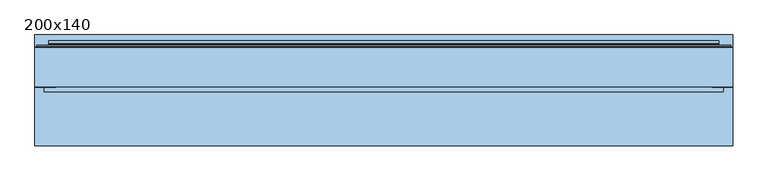
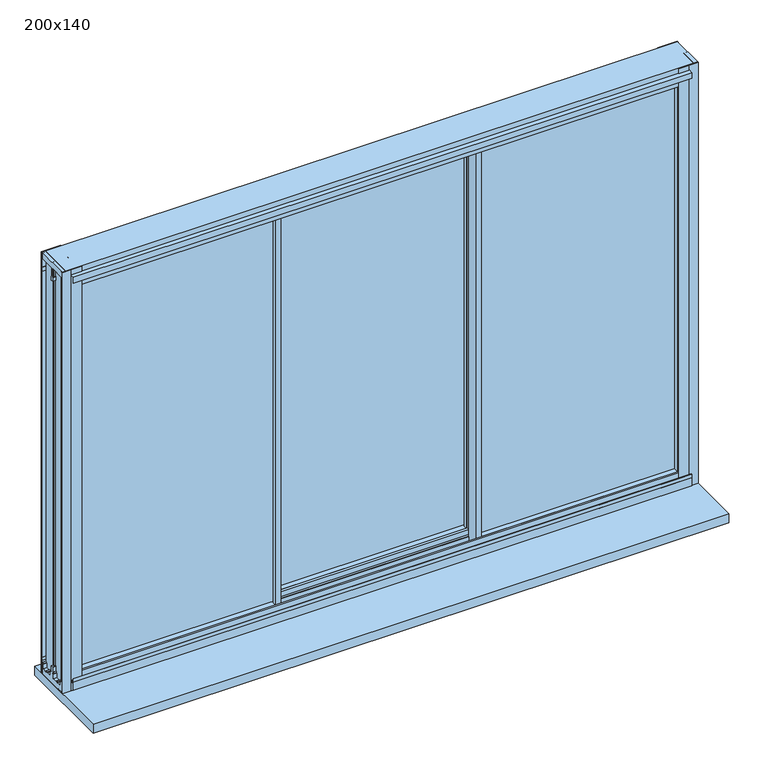
"""IFC4 building model written with IfcOpenShell, lengths in millimetres: window geometry, 200x140."""

from ifc_helpers import new_model, si_unit, frame, origin, place, context, project, spatial, polyline, outline, extrude, faceted_brep, source, transform, mapped, element, save


def window_200x140_3517d07f(model_context):
    return source(origin(), model_context, "Body", "SolidModel", [
        extrude(outline(polyline([(1421.5, 940.7), (1325.5, 940.7), (1325.5, 966.7), (1421.5, 966.7), (1421.5, 940.7)]), holes=[polyline([(1328.5, 963.7), (1328.5, 943.7), (1418.5, 943.7), (1418.5, 963.7), (1328.5, 963.7)])]), frame((0.0, 32.25, 0.0), z_axis=(0.0, 1.0, 0.0), x_axis=(0.0, 0.0, 1.0)), (0.0, 0.0, 1.0), 10.0),
        extrude(outline(polyline([(1421.5, -888.3), (1421.5, -914.3), (1325.5, -914.3), (1325.5, -888.3), (1421.5, -888.3)]), holes=[polyline([(1328.5, -911.3), (1418.5, -911.3), (1418.5, -891.3), (1328.5, -891.3), (1328.5, -911.3)])]), frame((0.0, 32.65, 0.0), z_axis=(0.0, 1.0, 0.0), x_axis=(0.0, 0.0, 1.0)), (0.0, 0.0, 1.0), 10.0),
        extrude(outline(polyline([(-923.7, 20.25), (-923.7, 26.25), (-289.1333333, 26.25), (-289.1333333, 20.25), (-923.7, 20.25)])), frame((0.0, 0.0, 717.8), z_axis=(0.0, 0.0, 1.0), x_axis=(1.0, 0.0, 0.0)), (0.0, 0.0, 1.0), 1305.6),
        extrude(outline(polyline([(976.1, 20.25), (342.5333333, 20.25), (342.5333333, 26.25), (976.1, 26.25), (976.1, 20.25)])), frame((0.0, 0.0, 717.8), z_axis=(0.0, 0.0, 1.0), x_axis=(1.0, 0.0, 0.0)), (0.0, 0.0, 1.0), 1305.6),
        extrude(outline(polyline([(342.5333333, 75.05), (-290.1333333, 75.05), (-290.1333333, 81.05), (342.5333333, 81.05), (342.5333333, 75.05)])), frame((0.0, 0.0, 717.8), z_axis=(0.0, 0.0, 1.0), x_axis=(1.0, 0.0, 0.0)), (0.0, 0.0, 1.0), 1305.6),
        faceted_brep([(-281.1333333, 2.65, 697.1), (-299.1333333, 2.65, 697.1), (-299.1333333, 12.6000001, 697.1), (-944.2, 12.6000001, 697.1), (-944.2, 33.8999999, 697.1), (-299.1333333, 33.8999999, 697.1), (-299.1333333, 43.85, 697.1), (-284.9364704, 43.85, 697.1), (-284.9364704, 50.1440374, 697.1), (-288.2414696, 50.1440374, 697.1), (-292.4491159, 51.5636227, 697.1), (-292.4491159, 53.95, 697.1), (-283.1599431, 53.95, 697.1), (-283.1599431, 43.85, 697.1), (-281.1333333, 43.85, 697.1), (-288.9081444, 32.25, 697.1), (-290.1333333, 32.25, 697.1), (-290.1333333, 14.25, 697.1), (-288.9081444, 14.25, 697.1), (-281.1333333, 2.65, 2043.9), (-281.1333333, 43.85, 2043.9), (-283.1599431, 43.85, 2043.9), (-283.1599431, 53.95, 2043.9), (-292.4491159, 53.95, 2043.9), (-292.4491159, 51.5636227, 2043.9), (-288.2414696, 50.1440374, 2043.9), (-284.9364704, 50.1440374, 2043.9), (-284.9364704, 43.85, 2043.9), (-299.1333333, 43.85, 2043.9), (-299.1333333, 33.8999999, 2043.9), (-944.2, 33.8999999, 2043.9), (-944.2, 12.6000001, 2043.9), (-299.1333333, 12.6000001, 2043.9), (-299.1333333, 2.65, 2043.9), (-288.9081444, 14.25, 2043.9), (-290.1333333, 14.25, 2043.9), (-290.1333333, 32.25, 2043.9), (-288.9081444, 32.25, 2043.9), (-299.1333333, 2.65, 2031.9), (-932.2, 2.65, 2031.9), (-932.2, 2.65, 709.1), (-299.1333333, 2.65, 709.1), (-914.3, 2.65, 2014.0), (-299.1333333, 2.65, 2014.0), (-299.1333333, 2.65, 727.0), (-914.3, 2.65, 727.0), (-299.1333333, 6.95, 709.1), (-299.1333333, 6.95, 706.9), (-299.1333333, 12.6000001, 706.9), (-299.1333333, 12.6000001, 2034.1), (-299.1333333, 6.95, 2034.1), (-299.1333333, 6.95, 2031.9), (-299.1333333, 14.25, 2014.0), (-299.1333333, 14.25, 727.0), (-290.1333333, 14.25, 727.0), (-290.1333333, 14.25, 2014.0), (-290.1333333, 32.25, 2014.0), (-299.1333333, 32.25, 2014.0), (-299.1333333, 32.25, 727.0), (-290.1333333, 32.25, 727.0), (-299.1333333, 33.8999999, 706.9), (-299.1333333, 39.55, 706.9), (-299.1333333, 39.55, 709.1), (-299.1333333, 43.85, 709.1), (-299.1333333, 43.85, 2031.9), (-299.1333333, 39.55, 2031.9), (-299.1333333, 39.55, 2034.1), (-299.1333333, 33.8999999, 2034.1), (-299.1333333, 43.85, 2014.0), (-299.1333333, 43.85, 727.0), (-290.1333333, 20.25, 727.0), (-290.1333333, 26.25, 727.0), (-290.1333333, 26.25, 717.6), (-290.1333333, 20.25, 717.6), (-914.3, 20.25, 727.0), (-923.7, 20.25, 717.6), (-923.7, 20.25, 2023.4), (-290.1333333, 20.25, 2023.4), (-290.1333333, 20.25, 2014.0), (-914.3, 20.25, 2014.0), (-923.7, 26.25, 717.6), (-914.3, 26.25, 727.0), (-914.3, 26.25, 2014.0), (-290.1333333, 26.25, 2014.0), (-290.1333333, 26.25, 2023.4), (-923.7, 26.25, 2023.4), (-914.3, 43.85, 727.0), (-932.2, 43.85, 709.1), (-932.2, 39.55, 709.1), (-934.4, 39.55, 706.9), (-934.4, 39.55, 2034.1), (-932.2, 39.55, 2031.9), (-934.4, 33.8999999, 706.9), (-934.4, 33.8999999, 2034.1), (-934.4, 12.6000001, 706.9), (-934.4, 12.6000001, 2034.1), (-934.4, 6.95, 706.9), (-932.2, 6.95, 709.1), (-932.2, 6.95, 2031.9), (-934.4, 6.95, 2034.1), (-914.3, 43.85, 2014.0), (-932.2, 43.85, 2031.9)], [[[0, 1, 2, 3, 4, 5, 6, 7, 8, 9, 10, 11, 12, 13, 14], [15, 16, 17, 18]], [[19, 20, 21, 22, 23, 24, 25, 26, 27, 28, 29, 30, 31, 32, 33], [34, 35, 36, 37]], [[0, 19, 33, 38, 39, 40, 41, 1], [42, 43, 44, 45]], [[1, 41, 46, 47, 48, 2]], [[32, 49, 50, 51, 38, 33]], [[43, 52, 53, 44]], [[18, 17, 54, 53, 52, 55, 35, 34]], [[18, 34, 37, 15]], [[37, 36, 56, 57, 58, 59, 16, 15]], [[5, 60, 61, 62, 63, 6]], [[28, 64, 65, 66, 67, 29]], [[57, 68, 69, 58]], [[13, 21, 20, 14]], [[70, 54, 17, 16, 59, 71, 72, 73]], [[45, 44, 53, 54, 70, 74]], [[73, 75, 76, 77, 78, 79, 74, 70]], [[72, 80, 75, 73]], [[71, 81, 82, 83, 84, 85, 80, 72]], [[71, 59, 58, 69, 86, 81]], [[87, 63, 62, 88]], [[88, 62, 61, 89, 90, 66, 65, 91]], [[89, 61, 60, 92]], [[92, 60, 5, 4, 30, 29, 67, 93]], [[3, 2, 48, 94, 95, 49, 32, 31]], [[94, 48, 47, 96]], [[96, 47, 46, 97, 98, 51, 50, 99]], [[97, 46, 41, 40]], [[45, 74, 79, 42]], [[75, 80, 85, 76]], [[81, 86, 100, 82]], [[87, 88, 91, 101]], [[89, 92, 93, 90]], [[4, 3, 31, 30]], [[94, 96, 99, 95]], [[39, 98, 97, 40]], [[77, 84, 83, 56, 36, 35, 55, 78]], [[78, 55, 52, 43, 42, 79]], [[76, 85, 84, 77]], [[82, 100, 68, 57, 56, 83]], [[91, 65, 64, 101]], [[93, 67, 66, 90]], [[99, 50, 49, 95]], [[39, 38, 51, 98]], [[14, 20, 19, 0]], [[12, 22, 21, 13]], [[11, 23, 22, 12]], [[10, 24, 23, 11]], [[9, 25, 24, 10]], [[8, 26, 25, 9]], [[7, 27, 26, 8]], [[6, 63, 87, 101, 64, 28, 27, 7], [86, 69, 68, 100]]]),
        faceted_brep([(-299.1333333, 98.65, 697.1), (-281.1333333, 98.65, 697.1), (-281.1333333, 88.6999999, 697.1), (333.5333333, 88.6999999, 697.1), (333.5333333, 98.65, 697.1), (351.5333333, 98.65, 697.1), (351.5333333, 57.45, 697.1), (349.5915949, 57.45, 697.1), (349.5915949, 47.35, 697.1), (340.2175508, 47.35, 697.1), (340.2175508, 49.7071538, 697.1), (344.4251971, 51.1559626, 697.1), (347.8150676, 51.1559626, 697.1), (347.8150676, 57.45, 697.1), (333.5333333, 57.45, 697.1), (333.5333333, 67.4000001, 697.1), (-281.1333333, 67.4000001, 697.1), (-281.1333333, 57.45, 697.1), (-295.4150676, 57.45, 697.1), (-295.4150676, 51.1559626, 697.1), (-292.0251971, 51.1559626, 697.1), (-287.8175508, 49.7071538, 697.1), (-287.8175508, 47.35, 697.1), (-297.1915949, 47.35, 697.1), (-297.1915949, 57.45, 697.1), (-299.1333333, 57.45, 697.1), (-291.5067236, 87.05, 697.1), (-291.5067236, 69.05, 697.1), (-290.1333333, 69.05, 697.1), (-290.1333333, 87.05, 697.1), (343.9067236, 69.05, 697.1), (343.9067236, 87.05, 697.1), (342.5333333, 87.05, 697.1), (342.5333333, 69.05, 697.1), (-299.1333333, 98.65, 2043.9), (-299.1333333, 57.45, 2043.9), (-297.1915949, 57.45, 2043.9), (-297.1915949, 47.35, 2043.9), (-287.8175508, 47.35, 2043.9), (-287.8175508, 49.7071538, 2043.9), (-292.0251971, 51.1559626, 2043.9), (-295.4150676, 51.1559626, 2043.9), (-295.4150676, 57.45, 2043.9), (-281.1333333, 57.45, 2043.9), (-281.1333333, 67.4000001, 2043.9), (333.5333333, 67.4000001, 2043.9), (333.5333333, 57.45, 2043.9), (347.8150676, 57.45, 2043.9), (347.8150676, 51.1559626, 2043.9), (344.4251971, 51.1559626, 2043.9), (340.2175508, 49.7071538, 2043.9), (340.2175508, 47.35, 2043.9), (349.5915949, 47.35, 2043.9), (349.5915949, 57.45, 2043.9), (351.5333333, 57.45, 2043.9), (351.5333333, 98.65, 2043.9), (333.5333333, 98.65, 2043.9), (333.5333333, 88.6999999, 2043.9), (-281.1333333, 88.6999999, 2043.9), (-281.1333333, 98.65, 2043.9), (-291.5067236, 69.05, 2043.9), (-291.5067236, 87.05, 2043.9), (-290.1333333, 87.05, 2043.9), (-290.1333333, 69.05, 2043.9), (343.9067236, 87.05, 2043.9), (343.9067236, 69.05, 2043.9), (342.5333333, 69.05, 2043.9), (342.5333333, 87.05, 2043.9), (-281.1333333, 98.65, 2031.9), (333.5333333, 98.65, 2031.9), (333.5333333, 98.65, 709.1), (-281.1333333, 98.65, 709.1), (-281.1333333, 98.65, 2014.0), (-281.1333333, 98.65, 727.0), (333.5333333, 98.65, 727.0), (333.5333333, 98.65, 2014.0), (-281.1333333, 94.35, 709.1), (-281.1333333, 94.35, 706.9), (-281.1333333, 88.6999999, 706.9), (-281.1333333, 88.6999999, 2034.1), (-281.1333333, 94.35, 2034.1), (-281.1333333, 94.35, 2031.9), (-281.1333333, 87.05, 2014.0), (-281.1333333, 87.05, 727.0), (-290.1333333, 87.05, 727.0), (-290.1333333, 87.05, 2014.0), (-290.1333333, 69.05, 2014.0), (-281.1333333, 69.05, 2014.0), (-281.1333333, 69.05, 727.0), (-290.1333333, 69.05, 727.0), (-281.1333333, 57.45, 709.1), (333.5333333, 57.45, 709.1), (333.5333333, 57.45, 2031.9), (-281.1333333, 57.45, 2031.9), (-281.1333333, 57.45, 727.0), (-281.1333333, 57.45, 2014.0), (333.5333333, 57.45, 2014.0), (333.5333333, 57.45, 727.0), (-281.1333333, 61.75, 2031.9), (-281.1333333, 61.75, 2034.1), (-281.1333333, 67.4000001, 2034.1), (-281.1333333, 67.4000001, 706.9), (-281.1333333, 61.75, 706.9), (-281.1333333, 61.75, 709.1), (333.5333333, 94.35, 2031.9), (333.5333333, 94.35, 2034.1), (333.5333333, 88.6999999, 2034.1), (333.5333333, 88.6999999, 706.9), (333.5333333, 94.35, 706.9), (333.5333333, 94.35, 709.1), (333.5333333, 87.05, 727.0), (333.5333333, 87.05, 2014.0), (342.5333333, 87.05, 2014.0), (342.5333333, 87.05, 727.0), (342.5333333, 69.05, 727.0), (333.5333333, 69.05, 727.0), (333.5333333, 69.05, 2014.0), (342.5333333, 69.05, 2014.0), (333.5333333, 61.75, 709.1), (333.5333333, 61.75, 706.9), (333.5333333, 67.4000001, 706.9), (333.5333333, 67.4000001, 2034.1), (333.5333333, 61.75, 2034.1), (333.5333333, 61.75, 2031.9), (342.5333333, 82.05, 2014.0), (342.5333333, 74.05, 2014.0), (342.5333333, 74.05, 2023.4), (342.5333333, 82.05, 2023.4), (342.5333333, 74.05, 727.0), (342.5333333, 82.05, 727.0), (342.5333333, 82.05, 717.6), (342.5333333, 74.05, 717.6), (-290.1333333, 74.05, 2014.0), (-290.1333333, 82.05, 2014.0), (-290.1333333, 82.05, 2023.4), (-290.1333333, 74.05, 2023.4), (-290.1333333, 82.05, 727.0), (-290.1333333, 74.05, 727.0), (-290.1333333, 74.05, 717.6), (-290.1333333, 82.05, 717.6)], [[[0, 1, 2, 3, 4, 5, 6, 7, 8, 9, 10, 11, 12, 13, 14, 15, 16, 17, 18, 19, 20, 21, 22, 23, 24, 25], [26, 27, 28, 29], [30, 31, 32, 33]], [[34, 35, 36, 37, 38, 39, 40, 41, 42, 43, 44, 45, 46, 47, 48, 49, 50, 51, 52, 53, 54, 55, 56, 57, 58, 59], [60, 61, 62, 63], [64, 65, 66, 67]], [[0, 34, 59, 68, 69, 56, 55, 5, 4, 70, 71, 1], [72, 73, 74, 75]], [[1, 71, 76, 77, 78, 2]], [[58, 79, 80, 81, 68, 59]], [[72, 82, 83, 73]], [[26, 29, 84, 83, 82, 85, 62, 61]], [[26, 61, 60, 27]], [[60, 63, 86, 87, 88, 89, 28, 27]], [[18, 42, 41, 19]], [[19, 41, 40, 20]], [[20, 40, 39, 21]], [[21, 39, 38, 22]], [[22, 38, 37, 23]], [[23, 37, 36, 24]], [[24, 36, 35, 25]], [[25, 35, 34, 0]], [[17, 90, 91, 14, 13, 47, 46, 92, 93, 43, 42, 18], [94, 95, 96, 97]], [[43, 93, 98, 99, 100, 44]], [[16, 101, 102, 103, 90, 17]], [[87, 95, 94, 88]], [[56, 69, 104, 105, 106, 57]], [[3, 107, 108, 109, 70, 4]], [[74, 110, 111, 75]], [[64, 67, 112, 111, 110, 113, 32, 31]], [[30, 65, 64, 31]], [[30, 33, 114, 115, 116, 117, 66, 65]], [[14, 91, 118, 119, 120, 15]], [[45, 121, 122, 123, 92, 46]], [[115, 97, 96, 116]], [[12, 48, 47, 13]], [[11, 49, 48, 12]], [[10, 50, 49, 11]], [[9, 51, 50, 10]], [[8, 52, 51, 9]], [[7, 53, 52, 8]], [[6, 54, 53, 7]], [[5, 55, 54, 6]], [[124, 112, 67, 66, 117, 125, 126, 127]], [[128, 114, 33, 32, 113, 129, 130, 131]], [[132, 86, 63, 62, 85, 133, 134, 135]], [[136, 84, 29, 28, 89, 137, 138, 139]], [[133, 85, 82, 72, 75, 111, 112, 124]], [[127, 134, 133, 124]], [[126, 135, 134, 127]], [[125, 132, 135, 126]], [[125, 117, 116, 96, 95, 87, 86, 132]], [[92, 123, 98, 93]], [[123, 122, 99, 98]], [[122, 121, 100, 99]], [[44, 100, 121, 45]], [[57, 106, 79, 58]], [[106, 105, 80, 79]], [[105, 104, 81, 80]], [[68, 81, 104, 69]], [[70, 109, 76, 71]], [[109, 108, 77, 76]], [[108, 107, 78, 77]], [[2, 78, 107, 3]], [[15, 120, 101, 16]], [[120, 119, 102, 101]], [[119, 118, 103, 102]], [[90, 103, 118, 91]], [[137, 89, 88, 94, 97, 115, 114, 128]], [[131, 138, 137, 128]], [[130, 139, 138, 131]], [[129, 136, 139, 130]], [[129, 113, 110, 74, 73, 83, 84, 136]]]),
        faceted_brep([(333.5333333, 2.65, 697.1), (333.5333333, 43.85, 697.1), (335.5599431, 43.85, 697.1), (335.5599431, 53.95, 697.1), (344.8491159, 53.95, 697.1), (344.8491159, 51.5636227, 697.1), (340.6414696, 50.1440374, 697.1), (337.3364704, 50.1440374, 697.1), (337.3364704, 43.85, 697.1), (351.5333333, 43.85, 697.1), (351.5333333, 33.8999999, 697.1), (996.6, 33.8999999, 697.1), (996.6, 12.6000001, 697.1), (351.5333333, 12.6000001, 697.1), (351.5333333, 2.65, 697.1), (341.3081444, 14.25, 697.1), (342.5333333, 14.25, 697.1), (342.5333333, 32.25, 697.1), (341.3081444, 32.25, 697.1), (333.5333333, 2.65, 2043.9), (351.5333333, 2.65, 2043.9), (351.5333333, 12.6000001, 2043.9), (996.6, 12.6000001, 2043.9), (996.6, 33.8999999, 2043.9), (351.5333333, 33.8999999, 2043.9), (351.5333333, 43.85, 2043.9), (337.3364704, 43.85, 2043.9), (337.3364704, 50.1440374, 2043.9), (340.6414696, 50.1440374, 2043.9), (344.8491159, 51.5636227, 2043.9), (344.8491159, 53.95, 2043.9), (335.5599431, 53.95, 2043.9), (335.5599431, 43.85, 2043.9), (333.5333333, 43.85, 2043.9), (341.3081444, 32.25, 2043.9), (342.5333333, 32.25, 2043.9), (342.5333333, 14.25, 2043.9), (341.3081444, 14.25, 2043.9), (342.5333333, 27.25, 727.0), (342.5333333, 32.25, 727.0), (342.5333333, 14.25, 727.0), (342.5333333, 19.25, 727.0), (342.5333333, 19.25, 717.6), (342.5333333, 27.25, 717.6), (342.5333333, 19.25, 2014.0), (342.5333333, 14.25, 2014.0), (342.5333333, 32.25, 2014.0), (342.5333333, 27.25, 2014.0), (342.5333333, 27.25, 2023.4), (342.5333333, 19.25, 2023.4), (966.7, 43.85, 727.0), (351.5333333, 43.85, 727.0), (351.5333333, 32.25, 727.0), (966.7, 27.25, 727.0), (976.1, 27.25, 717.6), (976.1, 27.25, 2023.4), (966.7, 27.25, 2014.0), (976.1, 19.25, 717.6), (966.7, 19.25, 727.0), (966.7, 19.25, 2014.0), (976.1, 19.25, 2023.4), (351.5333333, 14.25, 727.0), (351.5333333, 2.65, 727.0), (966.7, 2.65, 727.0), (984.6, 2.65, 709.1), (351.5333333, 2.65, 709.1), (351.5333333, 6.95, 709.1), (984.6, 6.95, 709.1), (351.5333333, 6.95, 706.9), (986.8, 6.95, 706.9), (986.8, 6.95, 2034.1), (351.5333333, 6.95, 2034.1), (351.5333333, 6.95, 2031.9), (984.6, 6.95, 2031.9), (351.5333333, 12.6000001, 706.9), (986.8, 12.6000001, 706.9), (351.5333333, 12.6000001, 2034.1), (986.8, 12.6000001, 2034.1), (351.5333333, 33.8999999, 706.9), (986.8, 33.8999999, 706.9), (986.8, 33.8999999, 2034.1), (351.5333333, 33.8999999, 2034.1), (351.5333333, 39.55, 706.9), (986.8, 39.55, 706.9), (351.5333333, 39.55, 709.1), (984.6, 39.55, 709.1), (984.6, 39.55, 2031.9), (351.5333333, 39.55, 2031.9), (351.5333333, 39.55, 2034.1), (986.8, 39.55, 2034.1), (351.5333333, 43.85, 709.1), (984.6, 43.85, 709.1), (966.7, 43.85, 2014.0), (966.7, 2.65, 2014.0), (984.6, 2.65, 2031.9), (984.6, 43.85, 2031.9), (351.5333333, 32.25, 2014.0), (351.5333333, 43.85, 2014.0), (351.5333333, 2.65, 2014.0), (351.5333333, 14.25, 2014.0), (351.5333333, 2.65, 2031.9), (351.5333333, 43.85, 2031.9)], [[[0, 1, 2, 3, 4, 5, 6, 7, 8, 9, 10, 11, 12, 13, 14], [15, 16, 17, 18]], [[19, 20, 21, 22, 23, 24, 25, 26, 27, 28, 29, 30, 31, 32, 33], [34, 35, 36, 37]], [[38, 39, 17, 16, 40, 41, 42, 43]], [[44, 45, 36, 35, 46, 47, 48, 49]], [[50, 51, 52, 39, 38, 53]], [[43, 54, 55, 48, 47, 56, 53, 38]], [[42, 57, 54, 43]], [[41, 58, 59, 44, 49, 60, 57, 42]], [[41, 40, 61, 62, 63, 58]], [[64, 65, 66, 67]], [[67, 66, 68, 69, 70, 71, 72, 73]], [[69, 68, 74, 75]], [[75, 74, 13, 12, 22, 21, 76, 77]], [[11, 10, 78, 79, 80, 81, 24, 23]], [[79, 78, 82, 83]], [[83, 82, 84, 85, 86, 87, 88, 89]], [[85, 84, 90, 91]], [[50, 53, 56, 92]], [[54, 57, 60, 55]], [[58, 63, 93, 59]], [[64, 67, 73, 94]], [[69, 75, 77, 70]], [[12, 11, 23, 22]], [[79, 83, 89, 80]], [[95, 86, 85, 91]], [[47, 46, 96, 97, 92, 56]], [[48, 55, 60, 49]], [[59, 93, 98, 99, 45, 44]], [[73, 72, 100, 94]], [[77, 76, 71, 70]], [[89, 88, 81, 80]], [[95, 101, 87, 86]], [[14, 65, 64, 94, 100, 20, 19, 0], [63, 62, 98, 93]], [[62, 61, 99, 98]], [[13, 74, 68, 66, 65, 14]], [[20, 100, 72, 71, 76, 21]], [[37, 36, 45, 99, 61, 40, 16, 15]], [[18, 34, 37, 15]], [[18, 17, 39, 52, 96, 46, 35, 34]], [[52, 51, 97, 96]], [[24, 81, 88, 87, 101, 25]], [[9, 90, 84, 82, 78, 10]], [[8, 26, 25, 101, 95, 91, 90, 9], [92, 97, 51, 50]], [[7, 27, 26, 8]], [[6, 28, 27, 7]], [[5, 29, 28, 6]], [[4, 30, 29, 5]], [[3, 31, 30, 4]], [[2, 32, 31, 3]], [[1, 33, 32, 2]], [[0, 19, 33, 1]]]),
        extrude(outline(polyline([(-19.55, 2056.5), (-4.95, 2056.5), (-4.95, 2055.0), (-17.55, 2055.0), (-17.55, 2037.5), (-19.55, 2037.5), (-19.55, 2056.5)])), frame((-946.45, 0.0, 0.0), z_axis=(1.0, 0.0, 0.0), x_axis=(0.0, 1.0, 0.0)), (0.0, 0.0, 1.0), 1945.3),
        extrude(outline(polyline([(-19.55, 682.9), (-19.55, 708.9), (-16.65, 708.9), (-16.05, 709.5), (-19.55, 709.5), (-19.55, 720.6), (-17.55, 720.6), (-17.55, 711.0), (-13.95, 711.0), (-13.95, 708.6), (-4.95, 708.6), (-4.95, 704.1), (-18.35, 704.1), (-18.35, 682.9), (-19.55, 682.9)])), frame((-946.45, 0.0, 0.0), z_axis=(1.0, 0.0, 0.0), x_axis=(0.0, 1.0, 0.0)), (0.0, 0.0, 1.0), 1945.3),
        extrude(outline(polyline([(-0.85, 729.0), (-0.85, 711.8), (0.0941191, 711.8), (1.55, 707.8), (4.3, 707.8), (4.3, 692.6), (21.0, 692.6), (21.0, 696.5731379), (25.5, 696.5731379), (25.5, 692.6), (42.2, 692.6), (42.2, 707.8), (44.9, 707.8), (46.3558809, 711.8), (47.35, 711.8), (47.35, 729.0), (53.95, 729.0), (53.95, 711.8), (54.9441191, 711.8), (56.4, 707.8), (59.1, 707.8), (59.1, 692.6), (75.8, 692.6), (75.8, 696.5731379), (80.3, 696.5731379), (80.3, 692.6), (97.0, 692.6), (97.0, 707.8), (99.75, 707.8), (101.2058809, 711.8), (104.75, 711.8), (104.75, 717.8), (102.15, 717.8), (102.15, 729.0), (106.25, 729.0), (106.25, 673.5), (15.05, 673.5), (15.05, 676.5), (-4.95, 676.5), (-4.95, 729.0), (-0.85, 729.0)])), frame((-973.8, 0.0, 0.0), z_axis=(1.0, 0.0, 0.0), x_axis=(0.0, 1.0, 0.0)), (0.0, 0.0, 1.0), 2000.0),
        extrude(outline(polyline([(-0.85, 2012.0), (-4.95, 2012.0), (-4.95, 2073.5), (106.25, 2073.5), (106.25, 2012.0), (102.15, 2012.0), (102.15, 2026.5), (104.75, 2026.5), (104.75, 2055.0), (51.4, 2055.0), (51.4, 2024.7), (53.95, 2024.7), (53.95, 2012.0), (47.35, 2012.0), (47.35, 2024.7), (49.9, 2024.7), (49.9, 2055.0), (-3.45, 2055.0), (-3.45, 2026.5), (-0.85, 2026.5), (-0.85, 2012.0)])), frame((-973.8, 0.0, 0.0), z_axis=(1.0, 0.0, 0.0), x_axis=(0.0, 1.0, 0.0)), (0.0, 0.0, 1.0), 2000.0),
        extrude(outline(polyline([(-960.95, -5.3), (-924.65, -5.3), (-924.65, -0.85), (-913.45, -0.85), (-913.45, -6.8), (-946.5952323, -6.8), (-973.8, -6.8), (-973.8, -0.5850342), (-962.75, -0.5850342), (-962.75, 49.9), (-969.028222, 49.9), (-969.028222, 51.425037), (-962.75, 51.425037), (-962.75, 101.8850342), (-973.8, 101.8850342), (-973.8, 108.1), (-913.45, 108.1), (-913.45, 47.35), (-924.65, 47.35), (-924.65, 49.9), (-960.95, 49.9), (-960.95, 22.7303848), (-960.95, -5.3)])), frame((0.0, 0.0, 673.5), z_axis=(0.0, 0.0, 1.0), x_axis=(1.0, 0.0, 0.0)), (0.0, 0.0, 1.0), 1400.0),
        extrude(outline(polyline([(1013.35, -5.3), (1013.35, 22.7303848), (1013.35, 49.9), (977.05, 49.9), (977.05, 47.35), (965.85, 47.35), (965.85, 108.1), (1026.2, 108.1), (1026.2, 101.8850342), (1015.15, 101.8850342), (1015.15, 51.425037), (1021.428222, 51.425037), (1021.428222, 49.9), (1015.15, 49.9), (1015.15, -0.5850342), (1026.2, -0.5850342), (1026.2, -6.8), (998.9952323, -6.8), (965.85, -6.8), (965.85, -0.85), (977.05, -0.85), (977.05, -5.3), (1013.35, -5.3)])), frame((0.0, 0.0, 673.5), z_axis=(0.0, 0.0, 1.0), x_axis=(1.0, 0.0, 0.0)), (0.0, 0.0, 1.0), 1400.0),
        extrude(outline(polyline([(1026.2, -173.75), (-973.8, -173.75), (-973.8, 143.25), (1026.2, 143.25), (1026.2, -173.75)])), frame((0.0, 0.0, 643.5), z_axis=(0.0, 0.0, 1.0), x_axis=(1.0, 0.0, 0.0)), (0.0, 0.0, 1.0), 30.0),
        faceted_brep([(965.85, 106.25, 729.0), (965.85, 106.25, 2012.0), (965.85, 126.4, 2012.0), (965.85, 126.4, 729.0), (1016.5502862, 110.5, 678.2997138), (1016.5502862, 110.5, 2062.7002862), (1016.5502862, 106.25, 2062.7002862), (1016.5502862, 106.25, 678.2997138), (1021.35, 114.1, 673.5), (1021.35, 114.1, 2067.5), (1021.35, 110.5, 2067.5), (1021.35, 110.5, 673.5), (986.35, 117.0431112, 708.5), (986.35, 117.0431112, 2032.5), (986.35, 114.1, 2032.5), (986.35, 114.1, 708.5), (986.95, 117.9, 707.9), (986.95, 117.9, 2033.1), (986.95, 126.4, 707.9), (986.95, 126.4, 2033.1), (-913.45, 106.25, 2012.0), (-913.45, 126.4, 2012.0), (-964.1502862, 110.5, 2062.7002862), (-964.1502862, 106.25, 2062.7002862), (-968.95, 114.1, 2067.5), (-968.95, 110.5, 2067.5), (-933.95, 117.0431112, 2032.5), (-933.95, 114.1, 2032.5), (-934.55, 117.9, 2033.1), (-934.55, 126.4, 2033.1), (-913.45, 106.25, 729.0), (-913.45, 126.4, 729.0), (-964.1502862, 110.5, 678.2997138), (-964.1502862, 106.25, 678.2997138), (-968.95, 114.1, 673.5), (-968.95, 110.5, 673.5), (-933.95, 117.0431112, 708.5), (-933.95, 114.1, 708.5), (-934.55, 117.9, 707.9), (-934.55, 126.4, 707.9)], [[[0, 1, 2, 3]], [[4, 5, 6, 7]], [[8, 9, 10, 11]], [[12, 13, 14, 15]], [[16, 17, 13, 12]], [[18, 19, 17, 16]], [[1, 20, 21, 2]], [[5, 22, 23, 6]], [[9, 24, 25, 10]], [[13, 26, 27, 14]], [[17, 28, 26, 13]], [[19, 29, 28, 17]], [[20, 30, 31, 21]], [[22, 32, 33, 23]], [[24, 34, 35, 25]], [[26, 36, 37, 27]], [[28, 38, 36, 26]], [[29, 39, 38, 28]], [[19, 18, 39, 29], [3, 2, 21, 31]], [[30, 0, 3, 31]], [[7, 6, 23, 33], [1, 0, 30, 20]], [[32, 4, 7, 33]], [[11, 10, 25, 35], [5, 4, 32, 22]], [[34, 8, 11, 35]], [[9, 8, 34, 24], [15, 14, 27, 37]], [[36, 12, 15, 37]], [[38, 16, 12, 36]], [[39, 18, 16, 38]]]),
    ])


if __name__ == "__main__":
    model = new_model("IFC4")
    model_context = context("Model", 3, world=origin())
    ifc_project = project(units=[si_unit("LENGTHUNIT", "METRE", prefix="MILLI")], contexts=[model_context])
    site = spatial("IfcSite", under=ifc_project)
    building = spatial("IfcBuilding", under=site)
    placement = place(None, origin())
    window_200x140_shape = window_200x140_3517d07f(model_context)
    element("IfcWindow", 1, ObjectType="200x140", at=placement, inside=building, context=model_context, shape_type="MappedRepresentation", body=[
        mapped(window_200x140_shape, transform((0.0, 0.0, 0.0), x_axis=(1.0, 0.0, 0.0), y_axis=(0.0, 1.0, 0.0), z_axis=(0.0, 0.0, 1.0))),
    ])
    save(model, "model.ifc")
